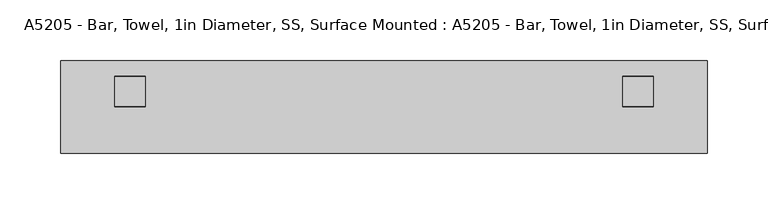
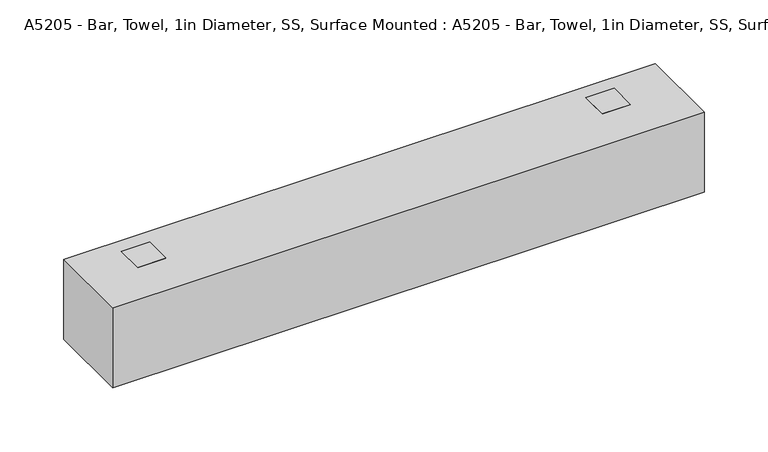
"""IFC4 building model written with IfcOpenShell, lengths in millimetres: proxy geometry, A5205 - Bar, Towel, 1in Diameter, SS, Surface Mounted : A5205 - Bar, Towel, 1in Diameter, SS, Surface Mounted."""

from ifc_helpers import new_model, si_unit, frame, origin, origin_with_axes, place, context, project, spatial, polyline, outline, extrude, source, transform, mapped, element, save


def a5205_bar_towel_1in_diameter_ss_surface_mounted_a5205_bar_6c3f86ae(model_context):
    return source(origin(), model_context, "Body", "SweptSolid", [
        extrude(outline(polyline([(69.85, 12.7), (31.75, 12.7), (38.1, 76.2), (63.5, 76.2), (69.85, 12.7)])), frame((-222.25, 0.0, 0.0), z_axis=(1.0, 0.0, 0.0), x_axis=(0.0, 1.0, 0.0)), (0.0, 0.0, 1.0), 25.4),
        extrude(outline(polyline([(-190.5, 76.2), (-190.5, 25.4), (-228.6, 25.4), (-228.6, 76.2), (-190.5, 76.2)])), origin_with_axes(), (0.0, 0.0, 1.0), 12.7),
        extrude(outline(polyline([(196.85, 60.325), (196.85, 41.275), (-196.85, 41.275), (-196.85, 60.325), (196.85, 60.325)])), frame((0.0, 0.0, 50.8), z_axis=(0.0, 0.0, 1.0), x_axis=(1.0, 0.0, 0.0)), (0.0, 0.0, 1.0), 19.05),
        extrude(outline(polyline([(69.85, 12.7), (31.75, 12.7), (38.1, 76.2), (63.5, 76.2), (69.85, 12.7)])), frame((196.85, 0.0, 0.0), z_axis=(1.0, 0.0, 0.0), x_axis=(0.0, 1.0, 0.0)), (0.0, 0.0, 1.0), 25.4),
        extrude(outline(polyline([(190.5, 76.2), (228.6, 76.2), (228.6, 25.4), (190.5, 25.4), (190.5, 76.2)])), origin_with_axes(), (0.0, 0.0, 1.0), 12.7),
        extrude(outline(polyline([(266.7, 76.2), (266.7, 0.0), (-266.7, 0.0), (-266.7, 76.2), (266.7, 76.2)])), origin_with_axes(), (0.0, 0.0, 1.0), 76.2),
    ])


if __name__ == "__main__":
    model = new_model("IFC4")
    model_context = context("Model", 3, world=origin())
    ifc_project = project(units=[si_unit("LENGTHUNIT", "METRE", prefix="MILLI")], contexts=[model_context])
    site = spatial("IfcSite", under=ifc_project)
    building = spatial("IfcBuilding", under=site)
    placement = place(None, origin())
    a5205_bar_towel_1in_diameter_ss_surface_mounted_a5205_bar_shape = a5205_bar_towel_1in_diameter_ss_surface_mounted_a5205_bar_6c3f86ae(model_context)
    element("IfcBuildingElementProxy", 1, Name="A5205 - Bar, Towel, 1in Diameter, SS, Surface Mounted : A5205 - Bar, Towel, 1in Diameter, SS, Surface Mounted", ObjectType="A5205 - Bar, Towel, 1in Diameter, SS, Surface Mounted : A5205 - Bar, Towel, 1in Diameter, SS, Surface Mounted", at=placement, inside=building, context=model_context, shape_type="MappedRepresentation", body=[
        mapped(a5205_bar_towel_1in_diameter_ss_surface_mounted_a5205_bar_shape, transform((0.0, 0.0, 0.0), x_axis=(1.0, 0.0, 0.0), y_axis=(0.0, 1.0, 0.0), z_axis=(0.0, 0.0, 1.0))),
    ])
    save(model, "model.ifc")
